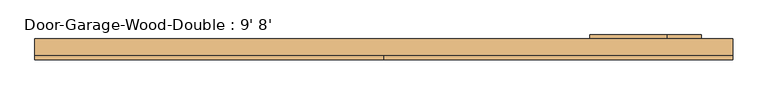
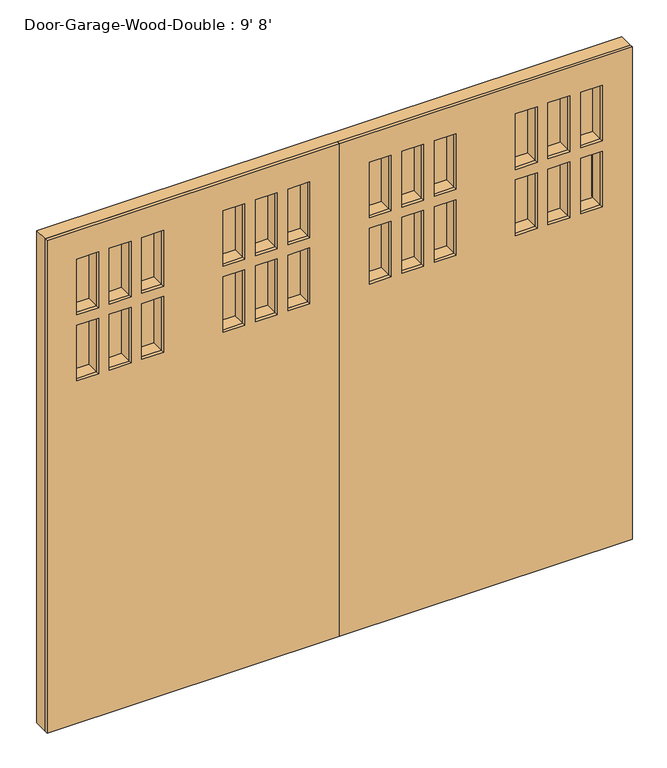
"""IFC4 building model written with IfcOpenShell, lengths in millimetres: door geometry, Door-Garage-Wood-Double : 9' 8'."""

from ifc_helpers import new_model, si_unit, frame, origin, place, context, project, spatial, polyline, ellipse_curve, outline, extrude, faceted_brep, source, transform, mapped, element, save
from ifc_brep_helpers import plane_surface, cylinder_surface, advanced_brep


def door_garage_wood_double_9_8_4380609d(model_context):
    return source(origin(), model_context, "Body", "SolidModel", [
        advanced_brep(
        [(1114.425, -135.73125, 1987.55), (1114.425, -119.85625, 1987.55), (1114.425, -119.85625, 1679.575), (1114.425, -135.73125, 1679.575), (1117.6, -123.03125, 1984.375), (1130.3, -135.73125, 1971.675), (1130.3, -135.73125, 1695.45), (1117.6, -123.03125, 1682.75), (1117.6, -119.85625, 1984.375), (1117.6, -119.85625, 1682.75), (1247.775, -119.85625, 1679.575), (1247.775, -135.73125, 1679.575), (1231.9, -135.73125, 1695.45), (1244.6, -123.03125, 1682.75), (1244.6, -119.85625, 1682.75), (1247.775, -119.85625, 1987.55), (1247.775, -135.73125, 1987.55), (1231.9, -135.73125, 1971.675), (1244.6, -123.03125, 1984.375), (1244.6, -119.85625, 1984.375)],
        [
            (0, 1),
            (1, 2),
            (2, 3),
            (3, 0),
            (4, 5, ellipse_curve(frame((1117.6, -135.73125, 1984.375), z_axis=(-0.7071067811865475, 0.0, -0.7071067811865475), x_axis=(-0.7071067811865474, 0.0, 0.7071067811865476)), 17.9605122, 12.7)),
            (5, 6),
            (6, 7, ellipse_curve(frame((1117.6, -135.73125, 1682.75), z_axis=(-0.7071067811865475, 0.0, 0.7071067811865475), x_axis=(0.7071067811865474, 0.0, 0.7071067811865476)), 17.9605122, 12.7)),
            (7, 4),
            (8, 4),
            (7, 9),
            (9, 8),
            (2, 10),
            (10, 11),
            (11, 3),
            (6, 12),
            (12, 13, ellipse_curve(frame((1244.6, -135.73125, 1682.75), z_axis=(-0.7071067811865475, 0.0, -0.7071067811865475), x_axis=(-0.7071067811865476, 0.0, 0.7071067811865474)), 17.9605122, 12.7)),
            (13, 7),
            (13, 14),
            (14, 9),
            (10, 15),
            (15, 16),
            (16, 11),
            (12, 17),
            (17, 18, ellipse_curve(frame((1244.6, -135.73125, 1984.375), z_axis=(0.7071067811865475, 0.0, -0.7071067811865475), x_axis=(-0.7071067811865474, 0.0, -0.7071067811865476)), 17.9605122, 12.7)),
            (18, 13),
            (18, 19),
            (19, 14),
            (15, 1),
            (0, 16),
            (5, 17),
            (4, 18),
            (8, 19),
        ],
        [
            plane_surface(frame((1114.425, -119.85625, 1987.55), z_axis=(-1.0, 0.0, 0.0), x_axis=(0.0, 0.0, -1.0))),
            cylinder_surface(frame((1117.6, -135.73125, 1987.55), z_axis=(0.0, 0.0, 1.0), x_axis=(-1.0, 0.0, 0.0)), 12.7),
            plane_surface(frame((1117.6, -123.03125, 1984.375), z_axis=(1.0, 0.0, 0.0), x_axis=(0.0, 0.0, -1.0))),
            plane_surface(frame((1114.425, -119.85625, 1679.575), z_axis=(0.0, 0.0, -1.0), x_axis=(1.0, 0.0, 0.0))),
            cylinder_surface(frame((1114.425, -135.73125, 1682.75), z_axis=(-1.0, 0.0, 0.0), x_axis=(0.0, 0.0, -1.0)), 12.7),
            plane_surface(frame((1117.6, -123.03125, 1682.75), z_axis=(0.0, 0.0, 1.0), x_axis=(1.0, 0.0, 0.0))),
            plane_surface(frame((1247.775, -119.85625, 1679.575), z_axis=(1.0, 0.0, 0.0), x_axis=(0.0, 0.0, 1.0))),
            cylinder_surface(frame((1244.6, -135.73125, 1679.575), z_axis=(0.0, 0.0, -1.0), x_axis=(1.0, 0.0, 0.0)), 12.7),
            plane_surface(frame((1244.6, -123.03125, 1682.75), z_axis=(-1.0, 0.0, 0.0), x_axis=(0.0, 0.0, 1.0))),
            plane_surface(frame((1247.775, -119.85625, 1987.55), z_axis=(0.0, 0.0, 1.0), x_axis=(-1.0, 0.0, 0.0))),
            plane_surface(frame((1247.775, -135.73125, 1987.55), z_axis=(0.0, -1.0, 0.0), x_axis=(-1.0, 0.0, 0.0))),
            cylinder_surface(frame((1247.775, -135.73125, 1984.375), z_axis=(1.0, 0.0, 0.0), x_axis=(0.0, 0.0, 1.0)), 12.7),
            plane_surface(frame((1244.6, -123.03125, 1984.375), z_axis=(0.0, 0.0, -1.0), x_axis=(-1.0, 0.0, 0.0))),
            plane_surface(frame((1244.6, -119.85625, 1984.375), z_axis=(0.0, 1.0, 0.0), x_axis=(-1.0, 0.0, 0.0))),
        ],
        [
            (0, [[1, 2, 3, 4]]),
            (1, [[5, 6, 7, 8]]),
            (2, [[9, -8, 10, 11]]),
            (3, [[-3, 12, 13, 14]]),
            (4, [[-7, 15, 16, 17]]),
            (5, [[-10, -17, 18, 19]]),
            (6, [[-13, 20, 21, 22]]),
            (7, [[-16, 23, 24, 25]]),
            (8, [[-18, -25, 26, 27]]),
            (9, [[-21, 28, -1, 29]]),
            (10, [[-14, -22, -29, -4], [30, -23, -15, -6]]),
            (11, [[-24, -30, -5, 31]]),
            (12, [[-26, -31, -9, 32]]),
            (13, [[-28, -20, -12, -2], [-19, -27, -32, -11]]),
        ],
    ),
        advanced_brep(
        [(809.625, -135.73125, 688.975), (809.625, -119.85625, 688.975), (809.625, -119.85625, 123.825), (809.625, -135.73125, 123.825), (812.8, -123.03125, 685.8), (825.5, -135.73125, 673.1), (825.5, -135.73125, 139.7), (812.8, -123.03125, 127.0), (812.8, -119.85625, 685.8), (812.8, -119.85625, 127.0), (1247.775, -119.85625, 123.825), (1247.775, -135.73125, 123.825), (1231.9, -135.73125, 139.7), (1244.6, -123.03125, 127.0), (1244.6, -119.85625, 127.0), (1247.775, -119.85625, 688.975), (1247.775, -135.73125, 688.975), (1231.9, -135.73125, 673.1), (1244.6, -123.03125, 685.8), (1244.6, -119.85625, 685.8)],
        [
            (0, 1),
            (1, 2),
            (2, 3),
            (3, 0),
            (4, 5, ellipse_curve(frame((812.8, -135.73125, 685.8), z_axis=(-0.7071067811865475, 0.0, -0.7071067811865475), x_axis=(-0.7071067811865474, 0.0, 0.7071067811865476)), 17.9605122, 12.7)),
            (5, 6),
            (6, 7, ellipse_curve(frame((812.8, -135.73125, 127.0), z_axis=(-0.7071067811865475, 0.0, 0.7071067811865475), x_axis=(0.7071067811865474, 0.0, 0.7071067811865476)), 17.9605122, 12.7)),
            (7, 4),
            (8, 4),
            (7, 9),
            (9, 8),
            (2, 10),
            (10, 11),
            (11, 3),
            (6, 12),
            (12, 13, ellipse_curve(frame((1244.6, -135.73125, 127.0), z_axis=(-0.7071067811865475, 0.0, -0.7071067811865475), x_axis=(-0.7071067811865476, 0.0, 0.7071067811865474)), 17.9605122, 12.7)),
            (13, 7),
            (13, 14),
            (14, 9),
            (10, 15),
            (15, 16),
            (16, 11),
            (12, 17),
            (17, 18, ellipse_curve(frame((1244.6, -135.73125, 685.8), z_axis=(0.7071067811865475, 0.0, -0.7071067811865475), x_axis=(-0.7071067811865474, 0.0, -0.7071067811865476)), 17.9605122, 12.7)),
            (18, 13),
            (18, 19),
            (19, 14),
            (15, 1),
            (0, 16),
            (5, 17),
            (4, 18),
            (8, 19),
        ],
        [
            plane_surface(frame((809.625, -119.85625, 688.975), z_axis=(-1.0, 0.0, 0.0), x_axis=(0.0, 0.0, -1.0))),
            cylinder_surface(frame((812.8, -135.73125, 688.975), z_axis=(0.0, 0.0, 1.0), x_axis=(-1.0, 0.0, 0.0)), 12.7),
            plane_surface(frame((812.8, -123.03125, 685.8), z_axis=(1.0, 0.0, 0.0), x_axis=(0.0, 0.0, -1.0))),
            plane_surface(frame((809.625, -119.85625, 123.825), z_axis=(0.0, 0.0, -1.0), x_axis=(1.0, 0.0, 0.0))),
            cylinder_surface(frame((809.625, -135.73125, 127.0), z_axis=(-1.0, 0.0, 0.0), x_axis=(0.0, 0.0, -1.0)), 12.7),
            plane_surface(frame((812.8, -123.03125, 127.0), z_axis=(0.0, 0.0, 1.0), x_axis=(1.0, 0.0, 0.0))),
            plane_surface(frame((1247.775, -119.85625, 123.825), z_axis=(1.0, 0.0, 0.0), x_axis=(0.0, 0.0, 1.0))),
            cylinder_surface(frame((1244.6, -135.73125, 123.825), z_axis=(0.0, 0.0, -1.0), x_axis=(1.0, 0.0, 0.0)), 12.7),
            plane_surface(frame((1244.6, -123.03125, 127.0), z_axis=(-1.0, 0.0, 0.0), x_axis=(0.0, 0.0, 1.0))),
            plane_surface(frame((1247.775, -119.85625, 688.975), z_axis=(0.0, 0.0, 1.0), x_axis=(-1.0, 0.0, 0.0))),
            plane_surface(frame((1247.775, -135.73125, 688.975), z_axis=(0.0, -1.0, 0.0), x_axis=(-1.0, 0.0, 0.0))),
            cylinder_surface(frame((1247.775, -135.73125, 685.8), z_axis=(1.0, 0.0, 0.0), x_axis=(0.0, 0.0, 1.0)), 12.7),
            plane_surface(frame((1244.6, -123.03125, 685.8), z_axis=(0.0, 0.0, -1.0), x_axis=(-1.0, 0.0, 0.0))),
            plane_surface(frame((1244.6, -119.85625, 685.8), z_axis=(0.0, 1.0, 0.0), x_axis=(-1.0, 0.0, 0.0))),
        ],
        [
            (0, [[1, 2, 3, 4]]),
            (1, [[5, 6, 7, 8]]),
            (2, [[9, -8, 10, 11]]),
            (3, [[-3, 12, 13, 14]]),
            (4, [[-7, 15, 16, 17]]),
            (5, [[-10, -17, 18, 19]]),
            (6, [[-13, 20, 21, 22]]),
            (7, [[-16, 23, 24, 25]]),
            (8, [[-18, -25, 26, 27]]),
            (9, [[-21, 28, -1, 29]]),
            (10, [[-14, -22, -29, -4], [30, -23, -15, -6]]),
            (11, [[-24, -30, -5, 31]]),
            (12, [[-26, -31, -9, 32]]),
            (13, [[-28, -20, -12, -2], [-19, -27, -32, -11]]),
        ],
    ),
        extrude(outline(polyline([(825.5, -135.73125), (927.1, -135.73125), (927.1, -140.49375), (825.5, -140.49375), (825.5, -135.73125)])), frame((0.0, 0.0, 2022.475), z_axis=(0.0, 0.0, 1.0), x_axis=(1.0, 0.0, 0.0)), (0.0, 0.0, 1.0), 276.225),
        extrude(outline(polyline([(825.5, -135.73125), (927.1, -135.73125), (927.1, -140.49375), (825.5, -140.49375), (825.5, -135.73125)])), frame((0.0, 0.0, 1695.45), z_axis=(0.0, 0.0, 1.0), x_axis=(1.0, 0.0, 0.0)), (0.0, 0.0, 1.0), 276.225),
        extrude(outline(polyline([(1130.3, -135.73125), (1231.9, -135.73125), (1231.9, -140.49375), (1130.3, -140.49375), (1130.3, -135.73125)])), frame((0.0, 0.0, 1695.45), z_axis=(0.0, 0.0, 1.0), x_axis=(1.0, 0.0, 0.0)), (0.0, 0.0, 1.0), 276.225),
        extrude(outline(polyline([(977.9, -135.73125), (1079.5, -135.73125), (1079.5, -140.49375), (977.9, -140.49375), (977.9, -135.73125)])), frame((0.0, 0.0, 1695.45), z_axis=(0.0, 0.0, 1.0), x_axis=(1.0, 0.0, 0.0)), (0.0, 0.0, 1.0), 276.225),
        extrude(outline(polyline([(444.5, -135.73125), (546.1, -135.73125), (546.1, -140.49375), (444.5, -140.49375), (444.5, -135.73125)])), frame((0.0, 0.0, 1695.45), z_axis=(0.0, 0.0, 1.0), x_axis=(1.0, 0.0, 0.0)), (0.0, 0.0, 1.0), 276.225),
        extrude(outline(polyline([(292.1, -135.73125), (393.7, -135.73125), (393.7, -140.49375), (292.1, -140.49375), (292.1, -135.73125)])), frame((0.0, 0.0, 1695.45), z_axis=(0.0, 0.0, 1.0), x_axis=(1.0, 0.0, 0.0)), (0.0, 0.0, 1.0), 276.225),
        extrude(outline(polyline([(139.7, -135.73125), (241.3, -135.73125), (241.3, -140.49375), (139.7, -140.49375), (139.7, -135.73125)])), frame((0.0, 0.0, 1695.45), z_axis=(0.0, 0.0, 1.0), x_axis=(1.0, 0.0, 0.0)), (0.0, 0.0, 1.0), 276.225),
        extrude(outline(polyline([(444.5, -135.73125), (546.1, -135.73125), (546.1, -140.49375), (444.5, -140.49375), (444.5, -135.73125)])), frame((0.0, 0.0, 2022.475), z_axis=(0.0, 0.0, 1.0), x_axis=(1.0, 0.0, 0.0)), (0.0, 0.0, 1.0), 276.225),
        extrude(outline(polyline([(-546.1, -135.73125), (-444.5, -135.73125), (-444.5, -140.49375), (-546.1, -140.49375), (-546.1, -135.73125)])), frame((0.0, 0.0, 1695.45), z_axis=(0.0, 0.0, 1.0), x_axis=(1.0, 0.0, 0.0)), (0.0, 0.0, 1.0), 276.225),
        extrude(outline(polyline([(-546.1, -135.73125), (-444.5, -135.73125), (-444.5, -140.49375), (-546.1, -140.49375), (-546.1, -135.73125)])), frame((0.0, 0.0, 2022.475), z_axis=(0.0, 0.0, 1.0), x_axis=(1.0, 0.0, 0.0)), (0.0, 0.0, 1.0), 276.225),
        extrude(outline(polyline([(-241.3, -135.73125), (-139.7, -135.73125), (-139.7, -140.49375), (-241.3, -140.49375), (-241.3, -135.73125)])), frame((0.0, 0.0, 1695.45), z_axis=(0.0, 0.0, 1.0), x_axis=(1.0, 0.0, 0.0)), (0.0, 0.0, 1.0), 276.225),
        extrude(outline(polyline([(-393.7, -135.73125), (-292.1, -135.73125), (-292.1, -140.49375), (-393.7, -140.49375), (-393.7, -135.73125)])), frame((0.0, 0.0, 1695.45), z_axis=(0.0, 0.0, 1.0), x_axis=(1.0, 0.0, 0.0)), (0.0, 0.0, 1.0), 276.225),
        extrude(outline(polyline([(-927.1, -135.73125), (-825.5, -135.73125), (-825.5, -140.49375), (-927.1, -140.49375), (-927.1, -135.73125)])), frame((0.0, 0.0, 1695.45), z_axis=(0.0, 0.0, 1.0), x_axis=(1.0, 0.0, 0.0)), (0.0, 0.0, 1.0), 276.225),
        extrude(outline(polyline([(-927.1, -135.73125), (-825.5, -135.73125), (-825.5, -140.49375), (-927.1, -140.49375), (-927.1, -135.73125)])), frame((0.0, 0.0, 2022.475), z_axis=(0.0, 0.0, 1.0), x_axis=(1.0, 0.0, 0.0)), (0.0, 0.0, 1.0), 276.225),
        extrude(outline(polyline([(-1079.5, -135.73125), (-977.9, -135.73125), (-977.9, -140.49375), (-1079.5, -140.49375), (-1079.5, -135.73125)])), frame((0.0, 0.0, 1695.45), z_axis=(0.0, 0.0, 1.0), x_axis=(1.0, 0.0, 0.0)), (0.0, 0.0, 1.0), 276.225),
        extrude(outline(polyline([(-1231.9, -135.73125), (-1130.3, -135.73125), (-1130.3, -140.49375), (-1231.9, -140.49375), (-1231.9, -135.73125)])), frame((0.0, 0.0, 1695.45), z_axis=(0.0, 0.0, 1.0), x_axis=(1.0, 0.0, 0.0)), (0.0, 0.0, 1.0), 276.225),
        extrude(outline(polyline([(-1231.9, -135.73125), (-1130.3, -135.73125), (-1130.3, -140.49375), (-1231.9, -140.49375), (-1231.9, -135.73125)])), frame((0.0, 0.0, 2022.475), z_axis=(0.0, 0.0, 1.0), x_axis=(1.0, 0.0, 0.0)), (0.0, 0.0, 1.0), 276.225),
        extrude(outline(polyline([(-1079.5, -135.73125), (-977.9, -135.73125), (-977.9, -140.49375), (-1079.5, -140.49375), (-1079.5, -135.73125)])), frame((0.0, 0.0, 2022.475), z_axis=(0.0, 0.0, 1.0), x_axis=(1.0, 0.0, 0.0)), (0.0, 0.0, 1.0), 276.225),
        extrude(outline(polyline([(-393.7, -135.73125), (-292.1, -135.73125), (-292.1, -140.49375), (-393.7, -140.49375), (-393.7, -135.73125)])), frame((0.0, 0.0, 2022.475), z_axis=(0.0, 0.0, 1.0), x_axis=(1.0, 0.0, 0.0)), (0.0, 0.0, 1.0), 276.225),
        extrude(outline(polyline([(-241.3, -135.73125), (-139.7, -135.73125), (-139.7, -140.49375), (-241.3, -140.49375), (-241.3, -135.73125)])), frame((0.0, 0.0, 2022.475), z_axis=(0.0, 0.0, 1.0), x_axis=(1.0, 0.0, 0.0)), (0.0, 0.0, 1.0), 276.225),
        extrude(outline(polyline([(139.7, -135.73125), (241.3, -135.73125), (241.3, -140.49375), (139.7, -140.49375), (139.7, -135.73125)])), frame((0.0, 0.0, 2022.475), z_axis=(0.0, 0.0, 1.0), x_axis=(1.0, 0.0, 0.0)), (0.0, 0.0, 1.0), 276.225),
        extrude(outline(polyline([(292.1, -135.73125), (393.7, -135.73125), (393.7, -140.49375), (292.1, -140.49375), (292.1, -135.73125)])), frame((0.0, 0.0, 2022.475), z_axis=(0.0, 0.0, 1.0), x_axis=(1.0, 0.0, 0.0)), (0.0, 0.0, 1.0), 276.225),
        extrude(outline(polyline([(977.9, -135.73125), (1079.5, -135.73125), (1079.5, -140.49375), (977.9, -140.49375), (977.9, -135.73125)])), frame((0.0, 0.0, 2022.475), z_axis=(0.0, 0.0, 1.0), x_axis=(1.0, 0.0, 0.0)), (0.0, 0.0, 1.0), 276.225),
        extrude(outline(polyline([(1130.3, -135.73125), (1231.9, -135.73125), (1231.9, -140.49375), (1130.3, -140.49375), (1130.3, -135.73125)])), frame((0.0, 0.0, 2022.475), z_axis=(0.0, 0.0, 1.0), x_axis=(1.0, 0.0, 0.0)), (0.0, 0.0, 1.0), 276.225),
        extrude(outline(polyline([(2438.4, 1371.6), (2438.4, 0.0), (0.0, 0.0), (0.0, 1371.6), (2438.4, 1371.6)]), holes=[polyline([(2298.7, 927.1), (2022.475, 927.1), (2022.475, 825.5), (2298.7, 825.5), (2298.7, 927.1)]), polyline([(1971.675, 927.1), (1695.45, 927.1), (1695.45, 825.5), (1971.675, 825.5), (1971.675, 927.1)]), polyline([(1971.675, 1231.9), (1695.45, 1231.9), (1695.45, 1130.3), (1971.675, 1130.3), (1971.675, 1231.9)]), polyline([(1971.675, 1079.5), (1695.45, 1079.5), (1695.45, 977.9), (1971.675, 977.9), (1971.675, 1079.5)]), polyline([(2298.7, 444.5), (2298.7, 546.1), (2022.475, 546.1), (2022.475, 444.5), (2298.7, 444.5)]), polyline([(1971.675, 444.5), (1971.675, 546.1), (1695.45, 546.1), (1695.45, 444.5), (1971.675, 444.5)]), polyline([(1971.675, 393.7), (1695.45, 393.7), (1695.45, 292.1), (1971.675, 292.1), (1971.675, 393.7)]), polyline([(1971.675, 241.3), (1695.45, 241.3), (1695.45, 139.7), (1971.675, 139.7), (1971.675, 241.3)]), polyline([(2298.7, 292.1), (2298.7, 393.7), (2022.475, 393.7), (2022.475, 292.1), (2298.7, 292.1)]), polyline([(2022.475, 139.7), (2298.7, 139.7), (2298.7, 241.3), (2022.475, 241.3), (2022.475, 139.7)]), polyline([(2022.475, 1079.5), (2022.475, 977.9), (2298.7, 977.9), (2298.7, 1079.5), (2022.475, 1079.5)]), polyline([(2298.7, 1130.3), (2298.7, 1231.9), (2022.475, 1231.9), (2022.475, 1130.3), (2298.7, 1130.3)])]), frame((0.0, -218.28125, 0.0), z_axis=(0.0, 1.0, 0.0), x_axis=(0.0, 0.0, 1.0)), (0.0, 0.0, 1.0), 15.875),
        extrude(outline(polyline([(2438.4, -1371.6), (0.0, -1371.6), (0.0, 0.0), (2438.4, 0.0), (2438.4, -1371.6)]), holes=[polyline([(2298.7, -1130.3), (2022.475, -1130.3), (2022.475, -1231.9), (2298.7, -1231.9), (2298.7, -1130.3)]), polyline([(1971.675, -1130.3), (1695.45, -1130.3), (1695.45, -1231.9), (1971.675, -1231.9), (1971.675, -1130.3)]), polyline([(2022.475, -1079.5), (2298.7, -1079.5), (2298.7, -977.9), (2022.475, -977.9), (2022.475, -1079.5)]), polyline([(2022.475, -927.1), (2298.7, -927.1), (2298.7, -825.5), (2022.475, -825.5), (2022.475, -927.1)]), polyline([(1695.45, -977.9), (1695.45, -1079.5), (1971.675, -1079.5), (1971.675, -977.9), (1695.45, -977.9)]), polyline([(1695.45, -927.1), (1971.675, -927.1), (1971.675, -825.5), (1695.45, -825.5), (1695.45, -927.1)]), polyline([(2022.475, -546.1), (2298.7, -546.1), (2298.7, -444.5), (2022.475, -444.5), (2022.475, -546.1)]), polyline([(2022.475, -393.7), (2298.7, -393.7), (2298.7, -292.1), (2022.475, -292.1), (2022.475, -393.7)]), polyline([(2022.475, -241.3), (2298.7, -241.3), (2298.7, -139.7), (2022.475, -139.7), (2022.475, -241.3)]), polyline([(1695.45, -241.3), (1971.675, -241.3), (1971.675, -139.7), (1695.45, -139.7), (1695.45, -241.3)]), polyline([(1695.45, -546.1), (1971.675, -546.1), (1971.675, -444.5), (1695.45, -444.5), (1695.45, -546.1)]), polyline([(1695.45, -393.7), (1971.675, -393.7), (1971.675, -292.1), (1695.45, -292.1), (1695.45, -393.7)])]), frame((0.0, -218.28125, 0.0), z_axis=(0.0, 1.0, 0.0), x_axis=(0.0, 0.0, 1.0)), (0.0, 0.0, 1.0), 15.875),
        faceted_brep([(-1371.6, -202.40625, 2438.4), (-1371.6, -202.40625, 0.0), (1371.6, -202.40625, 0.0), (1371.6, -202.40625, 2438.4), (1130.3, -202.40625, 2298.7), (1231.9, -202.40625, 2298.7), (1231.9, -202.40625, 2022.475), (1130.3, -202.40625, 2022.475), (1130.3, -202.40625, 1971.675), (1231.9, -202.40625, 1971.675), (1231.9, -202.40625, 1695.45), (1130.3, -202.40625, 1695.45), (1079.5, -202.40625, 2022.475), (977.9, -202.40625, 2022.475), (977.9, -202.40625, 2298.7), (1079.5, -202.40625, 2298.7), (927.1, -202.40625, 2022.475), (825.5, -202.40625, 2022.475), (825.5, -202.40625, 2298.7), (927.1, -202.40625, 2298.7), (825.5, -202.40625, 1695.45), (825.5, -202.40625, 1971.675), (927.1, -202.40625, 1971.675), (927.1, -202.40625, 1695.45), (977.9, -202.40625, 1695.45), (977.9, -202.40625, 1971.675), (1079.5, -202.40625, 1971.675), (1079.5, -202.40625, 1695.45), (241.3, -202.40625, 2298.7), (241.3, -202.40625, 2022.475), (139.7, -202.40625, 2022.475), (139.7, -202.40625, 2298.7), (241.3, -202.40625, 1971.675), (241.3, -202.40625, 1695.45), (139.7, -202.40625, 1695.45), (139.7, -202.40625, 1971.675), (546.1, -202.40625, 2022.475), (444.5, -202.40625, 2022.475), (444.5, -202.40625, 2298.7), (546.1, -202.40625, 2298.7), (393.7, -202.40625, 2022.475), (292.1, -202.40625, 2022.475), (292.1, -202.40625, 2298.7), (393.7, -202.40625, 2298.7), (393.7, -202.40625, 1971.675), (393.7, -202.40625, 1695.45), (292.1, -202.40625, 1695.45), (292.1, -202.40625, 1971.675), (546.1, -202.40625, 1695.45), (444.5, -202.40625, 1695.45), (444.5, -202.40625, 1971.675), (546.1, -202.40625, 1971.675), (-241.3, -202.40625, 2298.7), (-139.7, -202.40625, 2298.7), (-139.7, -202.40625, 2022.475), (-241.3, -202.40625, 2022.475), (-241.3, -202.40625, 1971.675), (-139.7, -202.40625, 1971.675), (-139.7, -202.40625, 1695.45), (-241.3, -202.40625, 1695.45), (-292.1, -202.40625, 2022.475), (-393.7, -202.40625, 2022.475), (-393.7, -202.40625, 2298.7), (-292.1, -202.40625, 2298.7), (-444.5, -202.40625, 2022.475), (-546.1, -202.40625, 2022.475), (-546.1, -202.40625, 2298.7), (-444.5, -202.40625, 2298.7), (-546.1, -202.40625, 1695.45), (-546.1, -202.40625, 1971.675), (-444.5, -202.40625, 1971.675), (-444.5, -202.40625, 1695.45), (-393.7, -202.40625, 1695.45), (-393.7, -202.40625, 1971.675), (-292.1, -202.40625, 1971.675), (-292.1, -202.40625, 1695.45), (-1130.3, -202.40625, 2298.7), (-1130.3, -202.40625, 2022.475), (-1231.9, -202.40625, 2022.475), (-1231.9, -202.40625, 2298.7), (-1130.3, -202.40625, 1971.675), (-1130.3, -202.40625, 1695.45), (-1231.9, -202.40625, 1695.45), (-1231.9, -202.40625, 1971.675), (-825.5, -202.40625, 2022.475), (-927.1, -202.40625, 2022.475), (-927.1, -202.40625, 2298.7), (-825.5, -202.40625, 2298.7), (-977.9, -202.40625, 2022.475), (-1079.5, -202.40625, 2022.475), (-1079.5, -202.40625, 2298.7), (-977.9, -202.40625, 2298.7), (-977.9, -202.40625, 1695.45), (-1079.5, -202.40625, 1695.45), (-1079.5, -202.40625, 1971.675), (-977.9, -202.40625, 1971.675), (-927.1, -202.40625, 1695.45), (-927.1, -202.40625, 1971.675), (-825.5, -202.40625, 1971.675), (-825.5, -202.40625, 1695.45), (-1371.6, -135.73125, 2438.4), (1371.6, -135.73125, 2438.4), (1371.6, -135.73125, 0.0), (-1371.6, -135.73125, 0.0), (1130.3, -135.73125, 2298.7), (1130.3, -135.73125, 2022.475), (1231.9, -135.73125, 2022.475), (1231.9, -135.73125, 2298.7), (1130.3, -135.73125, 1971.675), (1130.3, -135.73125, 1695.45), (1231.9, -135.73125, 1695.45), (1231.9, -135.73125, 1971.675), (1079.5, -135.73125, 2022.475), (1079.5, -135.73125, 2298.7), (977.9, -135.73125, 2298.7), (977.9, -135.73125, 2022.475), (927.1, -135.73125, 2022.475), (927.1, -135.73125, 2298.7), (825.5, -135.73125, 2298.7), (825.5, -135.73125, 2022.475), (825.5, -135.73125, 1695.45), (927.1, -135.73125, 1695.45), (927.1, -135.73125, 1971.675), (825.5, -135.73125, 1971.675), (977.9, -135.73125, 1695.45), (1079.5, -135.73125, 1695.45), (1079.5, -135.73125, 1971.675), (977.9, -135.73125, 1971.675), (241.3, -135.73125, 2298.7), (139.7, -135.73125, 2298.7), (139.7, -135.73125, 2022.475), (241.3, -135.73125, 2022.475), (241.3, -135.73125, 1971.675), (139.7, -135.73125, 1971.675), (139.7, -135.73125, 1695.45), (241.3, -135.73125, 1695.45), (546.1, -135.73125, 2022.475), (546.1, -135.73125, 2298.7), (444.5, -135.73125, 2298.7), (444.5, -135.73125, 2022.475), (393.7, -135.73125, 2022.475), (393.7, -135.73125, 2298.7), (292.1, -135.73125, 2298.7), (292.1, -135.73125, 2022.475), (393.7, -135.73125, 1971.675), (292.1, -135.73125, 1971.675), (292.1, -135.73125, 1695.45), (393.7, -135.73125, 1695.45), (546.1, -135.73125, 1695.45), (546.1, -135.73125, 1971.675), (444.5, -135.73125, 1971.675), (444.5, -135.73125, 1695.45), (-241.3, -135.73125, 2298.7), (-241.3, -135.73125, 2022.475), (-139.7, -135.73125, 2022.475), (-139.7, -135.73125, 2298.7), (-241.3, -135.73125, 1971.675), (-241.3, -135.73125, 1695.45), (-139.7, -135.73125, 1695.45), (-139.7, -135.73125, 1971.675), (-292.1, -135.73125, 2022.475), (-292.1, -135.73125, 2298.7), (-393.7, -135.73125, 2298.7), (-393.7, -135.73125, 2022.475), (-444.5, -135.73125, 2022.475), (-444.5, -135.73125, 2298.7), (-546.1, -135.73125, 2298.7), (-546.1, -135.73125, 2022.475), (-546.1, -135.73125, 1695.45), (-444.5, -135.73125, 1695.45), (-444.5, -135.73125, 1971.675), (-546.1, -135.73125, 1971.675), (-393.7, -135.73125, 1695.45), (-292.1, -135.73125, 1695.45), (-292.1, -135.73125, 1971.675), (-393.7, -135.73125, 1971.675), (-1130.3, -135.73125, 2298.7), (-1231.9, -135.73125, 2298.7), (-1231.9, -135.73125, 2022.475), (-1130.3, -135.73125, 2022.475), (-1130.3, -135.73125, 1971.675), (-1231.9, -135.73125, 1971.675), (-1231.9, -135.73125, 1695.45), (-1130.3, -135.73125, 1695.45), (-825.5, -135.73125, 2022.475), (-825.5, -135.73125, 2298.7), (-927.1, -135.73125, 2298.7), (-927.1, -135.73125, 2022.475), (-977.9, -135.73125, 2022.475), (-977.9, -135.73125, 2298.7), (-1079.5, -135.73125, 2298.7), (-1079.5, -135.73125, 2022.475), (-977.9, -135.73125, 1695.45), (-977.9, -135.73125, 1971.675), (-1079.5, -135.73125, 1971.675), (-1079.5, -135.73125, 1695.45), (-927.1, -135.73125, 1695.45), (-825.5, -135.73125, 1695.45), (-825.5, -135.73125, 1971.675), (-927.1, -135.73125, 1971.675), (825.5, -135.73125, 1555.75), (825.5, -135.73125, 812.8), (1231.9, -135.73125, 812.8), (1231.9, -135.73125, 1555.75), (-825.5, -135.73125, 673.1), (-1231.9, -135.73125, 673.1), (-1231.9, -135.73125, 139.7), (-825.5, -135.73125, 139.7), (825.5, -135.73125, 139.7), (1231.9, -135.73125, 139.7), (1231.9, -135.73125, 673.1), (825.5, -135.73125, 673.1), (-825.5, -135.73125, 812.8), (-825.5, -135.73125, 1555.75), (-1231.9, -135.73125, 1555.75), (-1231.9, -135.73125, 812.8), (-546.1, -135.73125, 673.1), (-546.1, -135.73125, 139.7), (-139.7, -135.73125, 139.7), (-139.7, -135.73125, 673.1), (-546.1, -135.73125, 812.8), (-139.7, -135.73125, 812.8), (-139.7, -135.73125, 1555.75), (-546.1, -135.73125, 1555.75), (546.1, -135.73125, 673.1), (139.7, -135.73125, 673.1), (139.7, -135.73125, 139.7), (546.1, -135.73125, 139.7), (546.1, -135.73125, 812.8), (546.1, -135.73125, 1555.75), (139.7, -135.73125, 1555.75), (139.7, -135.73125, 812.8), (825.5, -140.49375, 1555.75), (1231.9, -140.49375, 1555.75), (1231.9, -140.49375, 812.8), (825.5, -140.49375, 812.8), (-825.5, -140.49375, 673.1), (-825.5, -140.49375, 139.7), (-1231.9, -140.49375, 139.7), (-1231.9, -140.49375, 673.1), (825.5, -140.49375, 139.7), (825.5, -140.49375, 673.1), (1231.9, -140.49375, 673.1), (1231.9, -140.49375, 139.7), (-825.5, -140.49375, 812.8), (-1231.9, -140.49375, 812.8), (-1231.9, -140.49375, 1555.75), (-825.5, -140.49375, 1555.75), (-546.1, -140.49375, 673.1), (-139.7, -140.49375, 673.1), (-139.7, -140.49375, 139.7), (-546.1, -140.49375, 139.7), (-546.1, -140.49375, 812.8), (-546.1, -140.49375, 1555.75), (-139.7, -140.49375, 1555.75), (-139.7, -140.49375, 812.8), (546.1, -140.49375, 673.1), (546.1, -140.49375, 139.7), (139.7, -140.49375, 139.7), (139.7, -140.49375, 673.1), (546.1, -140.49375, 812.8), (139.7, -140.49375, 812.8), (139.7, -140.49375, 1555.75), (546.1, -140.49375, 1555.75)], [[[0, 1, 2, 3], [4, 5, 6, 7], [8, 9, 10, 11], [12, 13, 14, 15], [16, 17, 18, 19], [20, 21, 22, 23], [24, 25, 26, 27], [28, 29, 30, 31], [32, 33, 34, 35], [36, 37, 38, 39], [40, 41, 42, 43], [44, 45, 46, 47], [48, 49, 50, 51], [52, 53, 54, 55], [56, 57, 58, 59], [60, 61, 62, 63], [64, 65, 66, 67], [68, 69, 70, 71], [72, 73, 74, 75], [76, 77, 78, 79], [80, 81, 82, 83], [84, 85, 86, 87], [88, 89, 90, 91], [92, 93, 94, 95], [96, 97, 98, 99]], [[100, 101, 102, 103], [104, 105, 106, 107], [108, 109, 110, 111], [112, 113, 114, 115], [116, 117, 118, 119], [120, 121, 122, 123], [124, 125, 126, 127], [128, 129, 130, 131], [132, 133, 134, 135], [136, 137, 138, 139], [140, 141, 142, 143], [144, 145, 146, 147], [148, 149, 150, 151], [152, 153, 154, 155], [156, 157, 158, 159], [160, 161, 162, 163], [164, 165, 166, 167], [168, 169, 170, 171], [172, 173, 174, 175], [176, 177, 178, 179], [180, 181, 182, 183], [184, 185, 186, 187], [188, 189, 190, 191], [192, 193, 194, 195], [196, 197, 198, 199], [200, 201, 202, 203], [204, 205, 206, 207], [208, 209, 210, 211], [212, 213, 214, 215], [216, 217, 218, 219], [220, 221, 222, 223], [224, 225, 226, 227], [228, 229, 230, 231]], [[1, 0, 100, 103]], [[2, 1, 103, 102]], [[3, 2, 102, 101]], [[0, 3, 101, 100]], [[5, 4, 104, 107]], [[6, 5, 107, 106]], [[7, 6, 106, 105]], [[4, 7, 105, 104]], [[9, 8, 108, 111]], [[10, 9, 111, 110]], [[11, 10, 110, 109]], [[8, 11, 109, 108]], [[13, 12, 112, 115]], [[14, 13, 115, 114]], [[15, 14, 114, 113]], [[12, 15, 113, 112]], [[17, 16, 116, 119]], [[18, 17, 119, 118]], [[19, 18, 118, 117]], [[16, 19, 117, 116]], [[21, 20, 120, 123]], [[22, 21, 123, 122]], [[23, 22, 122, 121]], [[20, 23, 121, 120]], [[25, 24, 124, 127]], [[26, 25, 127, 126]], [[27, 26, 126, 125]], [[24, 27, 125, 124]], [[29, 28, 128, 131]], [[30, 29, 131, 130]], [[31, 30, 130, 129]], [[28, 31, 129, 128]], [[33, 32, 132, 135]], [[34, 33, 135, 134]], [[35, 34, 134, 133]], [[32, 35, 133, 132]], [[37, 36, 136, 139]], [[38, 37, 139, 138]], [[39, 38, 138, 137]], [[36, 39, 137, 136]], [[41, 40, 140, 143]], [[42, 41, 143, 142]], [[43, 42, 142, 141]], [[40, 43, 141, 140]], [[45, 44, 144, 147]], [[46, 45, 147, 146]], [[47, 46, 146, 145]], [[44, 47, 145, 144]], [[49, 48, 148, 151]], [[50, 49, 151, 150]], [[51, 50, 150, 149]], [[48, 51, 149, 148]], [[53, 52, 152, 155]], [[54, 53, 155, 154]], [[55, 54, 154, 153]], [[52, 55, 153, 152]], [[57, 56, 156, 159]], [[58, 57, 159, 158]], [[59, 58, 158, 157]], [[56, 59, 157, 156]], [[61, 60, 160, 163]], [[62, 61, 163, 162]], [[63, 62, 162, 161]], [[60, 63, 161, 160]], [[65, 64, 164, 167]], [[66, 65, 167, 166]], [[67, 66, 166, 165]], [[64, 67, 165, 164]], [[69, 68, 168, 171]], [[70, 69, 171, 170]], [[71, 70, 170, 169]], [[68, 71, 169, 168]], [[73, 72, 172, 175]], [[74, 73, 175, 174]], [[75, 74, 174, 173]], [[72, 75, 173, 172]], [[77, 76, 176, 179]], [[78, 77, 179, 178]], [[79, 78, 178, 177]], [[76, 79, 177, 176]], [[81, 80, 180, 183]], [[82, 81, 183, 182]], [[83, 82, 182, 181]], [[80, 83, 181, 180]], [[85, 84, 184, 187]], [[86, 85, 187, 186]], [[87, 86, 186, 185]], [[84, 87, 185, 184]], [[89, 88, 188, 191]], [[90, 89, 191, 190]], [[91, 90, 190, 189]], [[88, 91, 189, 188]], [[93, 92, 192, 195]], [[94, 93, 195, 194]], [[95, 94, 194, 193]], [[92, 95, 193, 192]], [[97, 96, 196, 199]], [[98, 97, 199, 198]], [[99, 98, 198, 197]], [[96, 99, 197, 196]], [[232, 233, 234, 235]], [[236, 237, 238, 239]], [[240, 241, 242, 243]], [[244, 245, 246, 247]], [[248, 249, 250, 251]], [[252, 253, 254, 255]], [[256, 257, 258, 259]], [[260, 261, 262, 263]], [[232, 235, 201, 200]], [[235, 234, 202, 201]], [[234, 233, 203, 202]], [[233, 232, 200, 203]], [[236, 239, 205, 204]], [[239, 238, 206, 205]], [[238, 237, 207, 206]], [[237, 236, 204, 207]], [[240, 243, 209, 208]], [[243, 242, 210, 209]], [[242, 241, 211, 210]], [[241, 240, 208, 211]], [[244, 247, 213, 212]], [[247, 246, 214, 213]], [[246, 245, 215, 214]], [[245, 244, 212, 215]], [[248, 251, 217, 216]], [[251, 250, 218, 217]], [[250, 249, 219, 218]], [[249, 248, 216, 219]], [[252, 255, 221, 220]], [[255, 254, 222, 221]], [[254, 253, 223, 222]], [[253, 252, 220, 223]], [[256, 259, 225, 224]], [[259, 258, 226, 225]], [[258, 257, 227, 226]], [[257, 256, 224, 227]], [[260, 263, 229, 228]], [[263, 262, 230, 229]], [[262, 261, 231, 230]], [[261, 260, 228, 231]]]),
    ])


if __name__ == "__main__":
    model = new_model("IFC4")
    model_context = context("Model", 3, world=origin())
    ifc_project = project(units=[si_unit("LENGTHUNIT", "METRE", prefix="MILLI")], contexts=[model_context])
    site = spatial("IfcSite", under=ifc_project)
    building = spatial("IfcBuilding", under=site)
    placement = place(None, origin())
    door_garage_wood_double_9_8_shape = door_garage_wood_double_9_8_4380609d(model_context)
    element("IfcDoor", 1, ObjectType="Door-Garage-Wood-Double : 9' 8'", at=placement, inside=building, context=model_context, shape_type="MappedRepresentation", body=[
        mapped(door_garage_wood_double_9_8_shape, transform((0.0, 0.0, 0.0), x_axis=(1.0, 0.0, 0.0), y_axis=(0.0, 1.0, 0.0), z_axis=(0.0, 0.0, 1.0))),
    ])
    save(model, "model.ifc")
